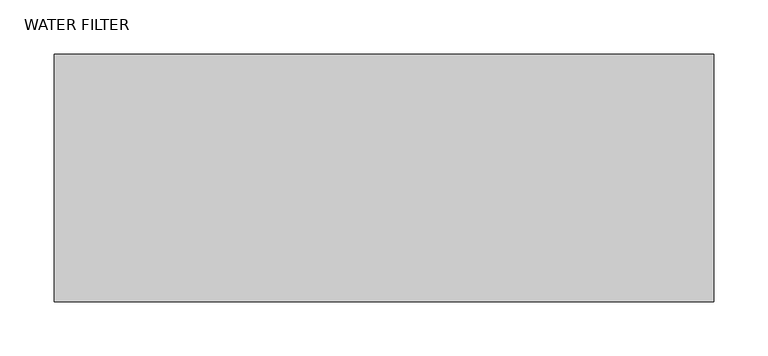
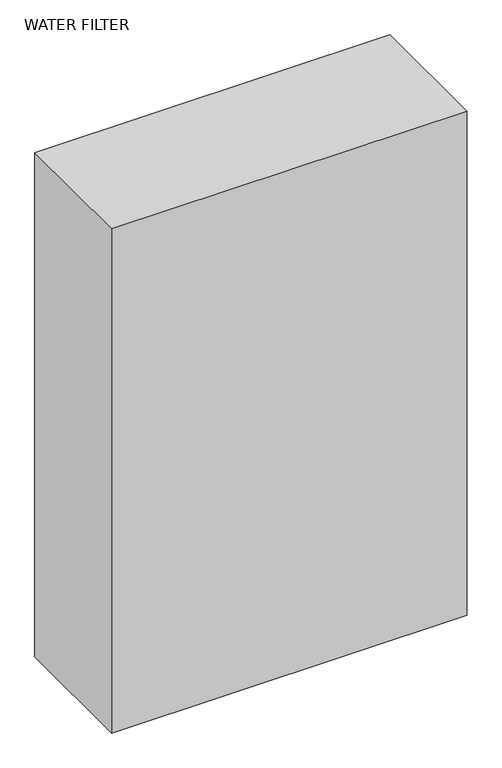
"""IFC4 building model written with IfcOpenShell, lengths in millimetres: proxy geometry, WATER FILTER."""

from ifc_helpers import new_model, si_unit, frame, origin, place, context, project, spatial, polyline, outline, extrude, source, transform, mapped, element, save


def water_filter_dcadc61b(model_context):
    return source(origin(), model_context, "Body", "SweptSolid", [
        extrude(outline(polyline([(609.6, 0.0), (609.6, -228.6), (0.0, -228.6), (0.0, 0.0), (609.6, 0.0)])), frame((0.0, 0.0, 1066.8), z_axis=(0.0, 0.0, 1.0), x_axis=(1.0, 0.0, 0.0)), (0.0, 0.0, 1.0), 914.4),
    ])


if __name__ == "__main__":
    model = new_model("IFC4")
    model_context = context("Model", 3, world=origin())
    ifc_project = project(units=[si_unit("LENGTHUNIT", "METRE", prefix="MILLI")], contexts=[model_context])
    site = spatial("IfcSite", under=ifc_project)
    building = spatial("IfcBuilding", under=site)
    placement = place(None, origin())
    water_filter_shape = water_filter_dcadc61b(model_context)
    element("IfcBuildingElementProxy", 1, Name="WATER FILTER", ObjectType="WATER FILTER", at=placement, inside=building, context=model_context, shape_type="MappedRepresentation", body=[
        mapped(water_filter_shape, transform((0.0, 0.0, 0.0), x_axis=(1.0, 0.0, 0.0), y_axis=(0.0, 1.0, 0.0), z_axis=(0.0, 0.0, 1.0))),
    ])
    save(model, "model.ifc")
